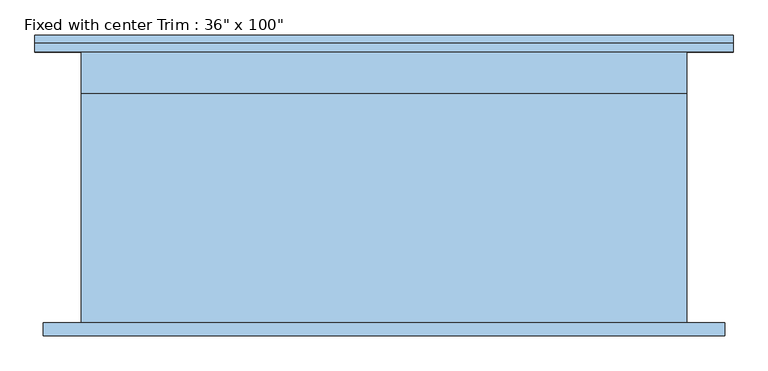
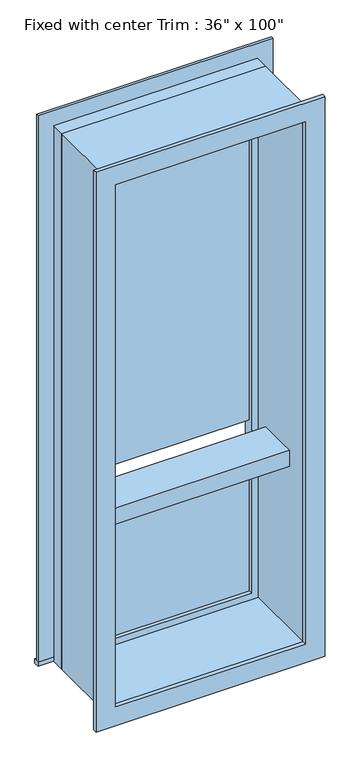
"""IFC4 building model written with IfcOpenShell, lengths in millimetres: window geometry."""

import ifcopenshell
import ifcopenshell.guid

model = None  # the IFC model being written
_history = None  # IfcOwnerHistory: only IFC2X3 demands one
_inside = {}  # id of a spatial element -> (the spatial element, [elements in it])
_under = {}  # id of a project, library or spatial element -> (it, [spatial elements below it])
_declared = {}  # id of a project -> (the project, [libraries it declares])
_typed = {}  # id of a type object -> (the type object, [elements of that type])
_made_of = {}  # id of a material, layer set ... -> (it, [elements and type objects made of it])


def new_model(schema):
    """Start an empty IFC model of exactly this schema.

    Asked for "IFC4X3", IfcOpenShell would pick the latest addendum, in which some entities
    have other attributes; the version numbers below select the first issue.
    IFC2X3 requires an IfcOwnerHistory on every rooted entity: one is made here for all.
    """
    global model, _history
    if schema == "IFC4X3":
        model = ifcopenshell.file(schema_version=(4, 3, 0, 0))
    else:
        model = ifcopenshell.file(schema=schema)
    _inside.clear()
    _under.clear()
    _declared.clear()
    _typed.clear()
    _made_of.clear()
    _history = None
    if model.schema == "IFC2X3":
        org = make("IfcOrganization", Name="unknown")
        user = make(
            "IfcPersonAndOrganization",
            ThePerson=make("IfcPerson", FamilyName="unknown"),
            TheOrganization=org,
        )
        app = make(
            "IfcApplication",
            ApplicationDeveloper=org,
            Version="unknown",
            ApplicationFullName="unknown",
            ApplicationIdentifier="unknown",
        )
        _history = make(
            "IfcOwnerHistory",
            OwningUser=user,
            OwningApplication=app,
            ChangeAction="ADDED",
            CreationDate=0,
        )
    return model


def make(cls, **values):
    """One entity of the class cls with the attributes given. An attribute that is None is left unset."""
    return model.create_entity(
        cls, **{name: value for name, value in values.items() if value is not None}
    )


def rooted(cls, **values):
    """An entity with a GlobalId (a new one), such as an element, a storey or a relation."""
    return make(cls, GlobalId=ifcopenshell.guid.new(), OwnerHistory=_history, **values)


def si_unit(unit_type, name, prefix=None):
    """IfcSIUnit, for example si_unit("LENGTHUNIT", "METRE", prefix="MILLI")."""
    return make("IfcSIUnit", UnitType=unit_type, Prefix=prefix, Name=name)


def assignment(units):
    """IfcUnitAssignment: the units of a project."""
    return None if units is None else make("IfcUnitAssignment", Units=units)


def point(xyz):
    """IfcCartesianPoint."""
    return None if xyz is None else make("IfcCartesianPoint", Coordinates=xyz)


def direction(xyz):
    """IfcDirection."""
    return None if xyz is None else make("IfcDirection", DirectionRatios=xyz)


def frame(location, z_axis=None, x_axis=None):
    """IfcAxis2Placement3D, a coordinate frame: its origin and axes. An axis left out is left unset."""
    return make(
        "IfcAxis2Placement3D",
        Location=point(location),
        Axis=direction(z_axis),
        RefDirection=direction(x_axis),
    )


def origin():
    """The frame at (0, 0, 0) with its axes left unset."""
    return frame((0.0, 0.0, 0.0))


def place(relative_to, where):
    """IfcLocalPlacement: puts the frame where relative to a parent placement (None: the world)."""
    return make(
        "IfcLocalPlacement", PlacementRelTo=relative_to, RelativePlacement=where
    )


def context(
    kind, dimensions, precision=None, world=None, true_north=None, identifier=None
):
    """IfcGeometricRepresentationContext, for example the 3D "Model" context."""
    return make(
        "IfcGeometricRepresentationContext",
        ContextIdentifier=identifier,
        ContextType=kind,
        CoordinateSpaceDimension=dimensions,
        Precision=precision,
        WorldCoordinateSystem=world,
        TrueNorth=true_north,
    )


def project(units=None, contexts=None):
    """IfcProject with its units and contexts."""
    return rooted(
        "IfcProject",
        Name="project",
        RepresentationContexts=contexts,
        UnitsInContext=assignment(units),
    )


def spatial(cls, under=None, at=None, **own):
    """A site, building, storey or space (cls), placed at a placement, below another one or the project."""
    s = rooted(cls, ObjectPlacement=at, **own)
    if under is not None:
        _under.setdefault(under.id(), (under, []))[1].append(s)
    return s


def polyline(points):
    """IfcPolyline through the points."""
    return make("IfcPolyline", Points=[point(p) for p in points])


def outline(outer, holes=None, kind="AREA"):
    """IfcArbitraryClosedProfileDef: a profile drawn as a closed curve; with holes, ...WithVoids."""
    if holes is None:
        return make("IfcArbitraryClosedProfileDef", ProfileType=kind, OuterCurve=outer)
    return make(
        "IfcArbitraryProfileDefWithVoids",
        ProfileType=kind,
        OuterCurve=outer,
        InnerCurves=holes,
    )


def extrude(swept, where, along, depth):
    """IfcExtrudedAreaSolid: the profile swept, set in the frame where, extruded along a direction by depth."""
    return make(
        "IfcExtrudedAreaSolid",
        SweptArea=swept,
        Position=where,
        ExtrudedDirection=direction(along),
        Depth=depth,
    )


def shape(context_of_items, identifier, shape_type, items):
    """IfcShapeRepresentation: the items that make up one representation, for example the "Body"."""
    return make(
        "IfcShapeRepresentation",
        ContextOfItems=context_of_items,
        RepresentationIdentifier=identifier,
        RepresentationType=shape_type,
        Items=items,
    )


def source(mapping_origin, context_of_items, identifier, shape_type, items):
    """IfcRepresentationMap: a shape defined once, which mapped items show again and again."""
    return make(
        "IfcRepresentationMap",
        MappingOrigin=mapping_origin,
        MappedRepresentation=shape(context_of_items, identifier, shape_type, items),
    )


def transform(
    local_origin,
    x_axis=None,
    y_axis=None,
    z_axis=None,
    scale=None,
    scale2=None,
    scale3=None,
    uniform=True,
):
    """IfcCartesianTransformationOperator3D, or its non-uniform kind. x_axis, y_axis, z_axis: its Axis1, 2, 3."""
    if uniform:
        return make(
            "IfcCartesianTransformationOperator3D",
            Axis1=direction(x_axis),
            Axis2=direction(y_axis),
            LocalOrigin=point(local_origin),
            Scale=scale,
            Axis3=direction(z_axis),
        )
    return make(
        "IfcCartesianTransformationOperator3DnonUniform",
        Axis1=direction(x_axis),
        Axis2=direction(y_axis),
        LocalOrigin=point(local_origin),
        Scale=scale,
        Axis3=direction(z_axis),
        Scale2=scale2,
        Scale3=scale3,
    )


def mapped(mapping_source, mapping_target):
    """IfcMappedItem: shows the shape of a source again, moved by a transform."""
    return make(
        "IfcMappedItem", MappingSource=mapping_source, MappingTarget=mapping_target
    )


def made_of(thing, what):
    """Note that an element or type object is made of a material, layer set ...; save() writes the relation."""
    if what is not None:
        _made_of.setdefault(what.id(), (what, []))[1].append(thing)
    return thing


def element(
    cls,
    number,
    at=None,
    inside=None,
    cuts=None,
    type_object=None,
    material=None,
    context=None,
    identifier="Body",
    shape_type=None,
    held_by="IfcProductDefinitionShape",
    body=None,
    shapes=None,
    **own,
):
    """One element of the class cls, such as IfcWall. Its Tag is "e" and its number.

    at: its placement. inside: the storey or other place that contains it. cuts: it is an
    opening in that element (IfcRelVoidsElement). A single representation is given by context,
    identifier, shape_type and body (its items); several are given by shapes. held_by: the class
    of the entity that holds the representations. save() writes the other relations.
    """
    e = rooted(cls, Tag="e%d" % number, ObjectPlacement=at, **own)
    if body is not None:
        shapes = [shape(context, identifier, shape_type, body)]
    if shapes is not None:
        e.Representation = make(held_by, Representations=shapes)
    if inside is not None:
        _inside.setdefault(inside.id(), (inside, []))[1].append(e)
    if cuts is not None:
        rooted(
            "IfcRelVoidsElement", RelatingBuildingElement=cuts, RelatedOpeningElement=e
        )
    if type_object is not None:
        _typed.setdefault(type_object.id(), (type_object, []))[1].append(e)
    return made_of(e, material)


def aggregate(whole, parts):
    """IfcRelAggregates: a whole, such as a stair, and the parts it consists of."""
    return rooted("IfcRelAggregates", RelatingObject=whole, RelatedObjects=parts)


def save(model, path):
    """Write the relations noted so far, then the file.

    IfcRelAggregates (storeys below a building ...), IfcRelContainedInSpatialStructure (elements
    in a storey), IfcRelDefinesByType, IfcRelAssociatesMaterial and IfcRelDeclares: one each for
    every whole, place, type object, material and project.
    """
    for whole, parts in _under.values():
        aggregate(whole, parts)
    for where, things in _inside.values():
        rooted(
            "IfcRelContainedInSpatialStructure",
            RelatedElements=things,
            RelatingStructure=where,
        )
    for kind, things in _typed.values():
        rooted("IfcRelDefinesByType", RelatedObjects=things, RelatingType=kind)
    for what, things in _made_of.values():
        rooted("IfcRelAssociatesMaterial", RelatedObjects=things, RelatingMaterial=what)
    for by, libraries in _declared.values():
        rooted("IfcRelDeclares", RelatingContext=by, RelatedDefinitions=libraries)
    model.write(path)


def window_4f192ae7(model_context):
    return source(origin(), model_context, "Body", "SweptSolid", [
        extrude(outline(polyline([(-565.15, 230.124), (488.95, 230.124), (488.95, 204.724), (-565.15, 204.724), (-565.15, 230.124)])), frame((0.0, 0.0, 304.8), z_axis=(0.0, 0.0, 1.0), x_axis=(1.0, 0.0, 0.0)), (0.0, 0.0, 1.0), 19.05),
        extrude(outline(polyline([(2825.75, -476.25), (2825.75, 400.05), (323.85, 400.05), (323.85, 488.95), (2914.65, 488.95), (2914.65, -565.15), (323.85, -565.15), (323.85, -476.25), (2825.75, -476.25)])), frame((0.0, 204.724, 0.0), z_axis=(0.0, 1.0, 0.0), x_axis=(0.0, 0.0, 1.0)), (0.0, 0.0, 1.0), 12.7),
        extrude(outline(polyline([(2901.95, 476.25), (2901.95, -552.45), (247.65, -552.45), (247.65, 476.25), (2901.95, 476.25)]), holes=[polyline([(2813.05, 387.35), (336.55, 387.35), (336.55, -463.55), (2813.05, -463.55), (2813.05, 387.35)])]), frame((0.0, -223.774, 0.0), z_axis=(0.0, 1.0, 0.0), x_axis=(0.0, 0.0, 1.0)), (0.0, 0.0, 1.0), 19.05),
        extrude(outline(polyline([(355.6, 157.099), (-431.8, 157.099), (-431.8, 169.799), (355.6, 169.799), (355.6, 157.099)])), frame((0.0, 0.0, 1181.1), z_axis=(0.0, 0.0, 1.0), x_axis=(1.0, 0.0, 0.0)), (0.0, 0.0, 1.0), 1600.2),
        extrude(outline(polyline([(355.6, 157.099), (-431.8, 157.099), (-431.8, 169.799), (355.6, 169.799), (355.6, 157.099)])), frame((0.0, 0.0, 368.3), z_axis=(0.0, 0.0, 1.0), x_axis=(1.0, 0.0, 0.0)), (0.0, 0.0, 1.0), 736.6),
        extrude(outline(polyline([(2844.8, -495.3), (304.8, -495.3), (304.8, 419.1), (2844.8, 419.1), (2844.8, -495.3)]), holes=[polyline([(2813.05, -463.55), (2813.05, 387.35), (336.55, 387.35), (336.55, -463.55), (2813.05, -463.55)])]), frame((0.0, -204.724, 0.0), z_axis=(0.0, 1.0, 0.0), x_axis=(0.0, 0.0, 1.0)), (0.0, 0.0, 1.0), 345.948),
        extrude(outline(polyline([(2844.8, 419.1), (2844.8, -495.3), (304.8, -495.3), (304.8, 419.1), (2844.8, 419.1)]), holes=[polyline([(2825.75, 400.05), (323.85, 400.05), (323.85, -476.25), (2825.75, -476.25), (2825.75, 400.05)])]), frame((0.0, 141.224, 0.0), z_axis=(0.0, 1.0, 0.0), x_axis=(0.0, 0.0, 1.0)), (0.0, 0.0, 1.0), 63.5),
        extrude(outline(polyline([(2825.75, -476.25), (323.85, -476.25), (323.85, 400.05), (2825.75, 400.05), (2825.75, -476.25)]), holes=[polyline([(2781.3, -431.8), (2781.3, 355.6), (368.3, 355.6), (368.3, -431.8), (2781.3, -431.8)])]), frame((0.0, 141.224, 0.0), z_axis=(0.0, 1.0, 0.0), x_axis=(0.0, 0.0, 1.0)), (0.0, 0.0, 1.0), 44.45),
        extrude(outline(polyline([(387.35, -101.6), (-463.55, -101.6), (-463.55, 82.55), (387.35, 82.55), (387.35, -101.6)])), frame((0.0, 0.0, 1104.9), z_axis=(0.0, 0.0, 1.0), x_axis=(1.0, 0.0, 0.0)), (0.0, 0.0, 1.0), 76.2),
    ])


if __name__ == "__main__":
    model = new_model("IFC4")
    model_context = context("Model", 3, world=origin())
    ifc_project = project(units=[si_unit("LENGTHUNIT", "METRE", prefix="MILLI")], contexts=[model_context])
    site = spatial("IfcSite", under=ifc_project)
    building = spatial("IfcBuilding", under=site)
    placement = place(None, origin())
    window_shape = window_4f192ae7(model_context)
    element("IfcWindow", 1, ObjectType="Fixed with center Trim : 36\" x 100\"", at=placement, inside=building, context=model_context, shape_type="MappedRepresentation", body=[
        mapped(window_shape, transform((0.0, 0.0, 0.0), x_axis=(1.0, 0.0, 0.0), y_axis=(0.0, 1.0, 0.0), z_axis=(0.0, 0.0, 1.0))),
    ])
    save(model, "model.ifc")
